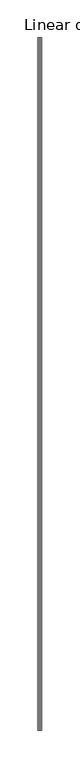
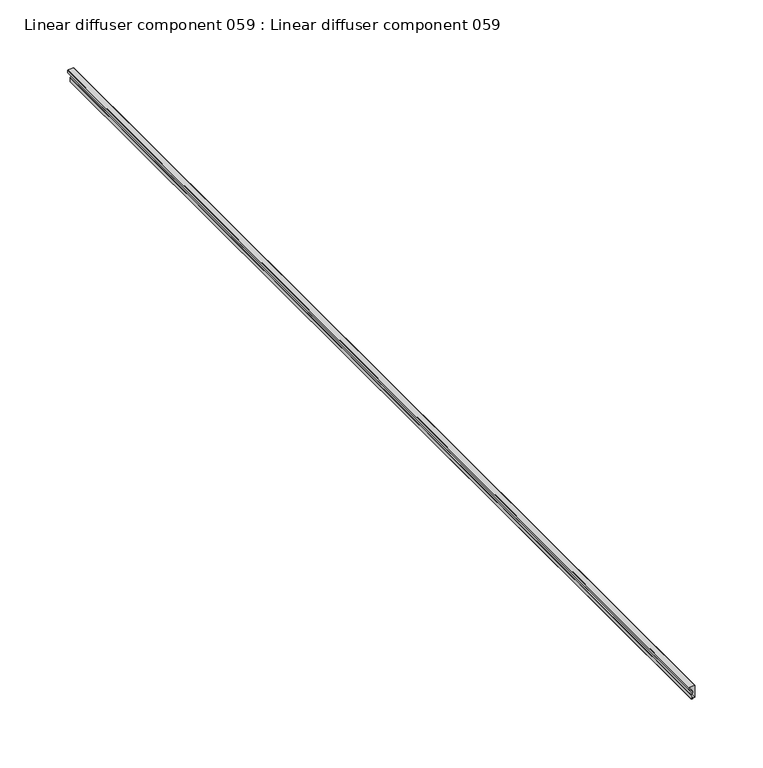
"""IFC4 building model written with IfcOpenShell, lengths in millimetres: proxy geometry, Linear diffuser component 059 : Linear diffuser component 059."""

import ifcopenshell
import ifcopenshell.guid

model = None  # the IFC model being written
_history = None  # IfcOwnerHistory: only IFC2X3 demands one
_inside = {}  # id of a spatial element -> (the spatial element, [elements in it])
_under = {}  # id of a project, library or spatial element -> (it, [spatial elements below it])
_declared = {}  # id of a project -> (the project, [libraries it declares])
_typed = {}  # id of a type object -> (the type object, [elements of that type])
_made_of = {}  # id of a material, layer set ... -> (it, [elements and type objects made of it])


def new_model(schema):
    """Start an empty IFC model of exactly this schema.

    Asked for "IFC4X3", IfcOpenShell would pick the latest addendum, in which some entities
    have other attributes; the version numbers below select the first issue.
    IFC2X3 requires an IfcOwnerHistory on every rooted entity: one is made here for all.
    """
    global model, _history
    if schema == "IFC4X3":
        model = ifcopenshell.file(schema_version=(4, 3, 0, 0))
    else:
        model = ifcopenshell.file(schema=schema)
    _inside.clear()
    _under.clear()
    _declared.clear()
    _typed.clear()
    _made_of.clear()
    _history = None
    if model.schema == "IFC2X3":
        org = make("IfcOrganization", Name="unknown")
        user = make(
            "IfcPersonAndOrganization",
            ThePerson=make("IfcPerson", FamilyName="unknown"),
            TheOrganization=org,
        )
        app = make(
            "IfcApplication",
            ApplicationDeveloper=org,
            Version="unknown",
            ApplicationFullName="unknown",
            ApplicationIdentifier="unknown",
        )
        _history = make(
            "IfcOwnerHistory",
            OwningUser=user,
            OwningApplication=app,
            ChangeAction="ADDED",
            CreationDate=0,
        )
    return model


def make(cls, **values):
    """One entity of the class cls with the attributes given. An attribute that is None is left unset."""
    return model.create_entity(
        cls, **{name: value for name, value in values.items() if value is not None}
    )


def rooted(cls, **values):
    """An entity with a GlobalId (a new one), such as an element, a storey or a relation."""
    return make(cls, GlobalId=ifcopenshell.guid.new(), OwnerHistory=_history, **values)


def si_unit(unit_type, name, prefix=None):
    """IfcSIUnit, for example si_unit("LENGTHUNIT", "METRE", prefix="MILLI")."""
    return make("IfcSIUnit", UnitType=unit_type, Prefix=prefix, Name=name)


def assignment(units):
    """IfcUnitAssignment: the units of a project."""
    return None if units is None else make("IfcUnitAssignment", Units=units)


def point(xyz):
    """IfcCartesianPoint."""
    return None if xyz is None else make("IfcCartesianPoint", Coordinates=xyz)


def direction(xyz):
    """IfcDirection."""
    return None if xyz is None else make("IfcDirection", DirectionRatios=xyz)


def frame(location, z_axis=None, x_axis=None):
    """IfcAxis2Placement3D, a coordinate frame: its origin and axes. An axis left out is left unset."""
    return make(
        "IfcAxis2Placement3D",
        Location=point(location),
        Axis=direction(z_axis),
        RefDirection=direction(x_axis),
    )


def origin():
    """The frame at (0, 0, 0) with its axes left unset."""
    return frame((0.0, 0.0, 0.0))


def place(relative_to, where):
    """IfcLocalPlacement: puts the frame where relative to a parent placement (None: the world)."""
    return make(
        "IfcLocalPlacement", PlacementRelTo=relative_to, RelativePlacement=where
    )


def context(
    kind, dimensions, precision=None, world=None, true_north=None, identifier=None
):
    """IfcGeometricRepresentationContext, for example the 3D "Model" context."""
    return make(
        "IfcGeometricRepresentationContext",
        ContextIdentifier=identifier,
        ContextType=kind,
        CoordinateSpaceDimension=dimensions,
        Precision=precision,
        WorldCoordinateSystem=world,
        TrueNorth=true_north,
    )


def project(units=None, contexts=None):
    """IfcProject with its units and contexts."""
    return rooted(
        "IfcProject",
        Name="project",
        RepresentationContexts=contexts,
        UnitsInContext=assignment(units),
    )


def spatial(cls, under=None, at=None, **own):
    """A site, building, storey or space (cls), placed at a placement, below another one or the project."""
    s = rooted(cls, ObjectPlacement=at, **own)
    if under is not None:
        _under.setdefault(under.id(), (under, []))[1].append(s)
    return s


def point_list(points):
    """IfcCartesianPointList2D or 3D."""
    cls = (
        "IfcCartesianPointList2D" if len(points[0]) == 2 else "IfcCartesianPointList3D"
    )
    return make(cls, CoordList=points)


def triangles(points, corners, closed=None, point_numbers=None):
    """IfcTriangulatedFaceSet: each triangle names its three corners, points numbered from 1."""
    return make(
        "IfcTriangulatedFaceSet",
        Coordinates=point_list(points),
        Closed=closed,
        CoordIndex=corners,
        PnIndex=point_numbers,
    )


def shape(context_of_items, identifier, shape_type, items):
    """IfcShapeRepresentation: the items that make up one representation, for example the "Body"."""
    return make(
        "IfcShapeRepresentation",
        ContextOfItems=context_of_items,
        RepresentationIdentifier=identifier,
        RepresentationType=shape_type,
        Items=items,
    )


def source(mapping_origin, context_of_items, identifier, shape_type, items):
    """IfcRepresentationMap: a shape defined once, which mapped items show again and again."""
    return make(
        "IfcRepresentationMap",
        MappingOrigin=mapping_origin,
        MappedRepresentation=shape(context_of_items, identifier, shape_type, items),
    )


def transform(
    local_origin,
    x_axis=None,
    y_axis=None,
    z_axis=None,
    scale=None,
    scale2=None,
    scale3=None,
    uniform=True,
):
    """IfcCartesianTransformationOperator3D, or its non-uniform kind. x_axis, y_axis, z_axis: its Axis1, 2, 3."""
    if uniform:
        return make(
            "IfcCartesianTransformationOperator3D",
            Axis1=direction(x_axis),
            Axis2=direction(y_axis),
            LocalOrigin=point(local_origin),
            Scale=scale,
            Axis3=direction(z_axis),
        )
    return make(
        "IfcCartesianTransformationOperator3DnonUniform",
        Axis1=direction(x_axis),
        Axis2=direction(y_axis),
        LocalOrigin=point(local_origin),
        Scale=scale,
        Axis3=direction(z_axis),
        Scale2=scale2,
        Scale3=scale3,
    )


def mapped(mapping_source, mapping_target):
    """IfcMappedItem: shows the shape of a source again, moved by a transform."""
    return make(
        "IfcMappedItem", MappingSource=mapping_source, MappingTarget=mapping_target
    )


def made_of(thing, what):
    """Note that an element or type object is made of a material, layer set ...; save() writes the relation."""
    if what is not None:
        _made_of.setdefault(what.id(), (what, []))[1].append(thing)
    return thing


def element(
    cls,
    number,
    at=None,
    inside=None,
    cuts=None,
    type_object=None,
    material=None,
    context=None,
    identifier="Body",
    shape_type=None,
    held_by="IfcProductDefinitionShape",
    body=None,
    shapes=None,
    **own,
):
    """One element of the class cls, such as IfcWall. Its Tag is "e" and its number.

    at: its placement. inside: the storey or other place that contains it. cuts: it is an
    opening in that element (IfcRelVoidsElement). A single representation is given by context,
    identifier, shape_type and body (its items); several are given by shapes. held_by: the class
    of the entity that holds the representations. save() writes the other relations.
    """
    e = rooted(cls, Tag="e%d" % number, ObjectPlacement=at, **own)
    if body is not None:
        shapes = [shape(context, identifier, shape_type, body)]
    if shapes is not None:
        e.Representation = make(held_by, Representations=shapes)
    if inside is not None:
        _inside.setdefault(inside.id(), (inside, []))[1].append(e)
    if cuts is not None:
        rooted(
            "IfcRelVoidsElement", RelatingBuildingElement=cuts, RelatedOpeningElement=e
        )
    if type_object is not None:
        _typed.setdefault(type_object.id(), (type_object, []))[1].append(e)
    return made_of(e, material)


def aggregate(whole, parts):
    """IfcRelAggregates: a whole, such as a stair, and the parts it consists of."""
    return rooted("IfcRelAggregates", RelatingObject=whole, RelatedObjects=parts)


def save(model, path):
    """Write the relations noted so far, then the file.

    IfcRelAggregates (storeys below a building ...), IfcRelContainedInSpatialStructure (elements
    in a storey), IfcRelDefinesByType, IfcRelAssociatesMaterial and IfcRelDeclares: one each for
    every whole, place, type object, material and project.
    """
    for whole, parts in _under.values():
        aggregate(whole, parts)
    for where, things in _inside.values():
        rooted(
            "IfcRelContainedInSpatialStructure",
            RelatedElements=things,
            RelatingStructure=where,
        )
    for kind, things in _typed.values():
        rooted("IfcRelDefinesByType", RelatedObjects=things, RelatingType=kind)
    for what, things in _made_of.values():
        rooted("IfcRelAssociatesMaterial", RelatedObjects=things, RelatingMaterial=what)
    for by, libraries in _declared.values():
        rooted("IfcRelDeclares", RelatingContext=by, RelatedDefinitions=libraries)
    model.write(path)


def linear_diffuser_component_059_linear_diffuser_component_059_e8aaa442(model_context):
    return source(origin(), model_context, "Body", "Tessellation", [
        triangles([(37335.4931763, -19576.8259827, 2979.0254311), (37335.4931763, -18662.4259827, 2979.0254311), (37335.7233948, -18662.4259827, 2978.7068459), (37335.7233948, -19576.8259827, 2978.7068459), (37335.3350464, -18662.4259827, 2978.7068459), (37335.3350464, -19576.8259827, 2978.7068459), (37335.3350464, -18662.4259827, 2975.3529808), (37335.3350464, -19576.8259827, 2975.3529808), (37335.7257202, -19576.8259827, 2974.9649231), (37335.7257202, -18662.4259827, 2974.9649231), (37336.7489136, -18662.4259827, 2974.9649231), (37336.7489136, -19576.8259827, 2974.9649231), (37336.7489136, -18662.4259827, 2975.7436546), (37336.7489136, -19576.8259827, 2975.7436546), (37338.344165, -18662.4259827, 2975.7436546), (37338.344165, -19576.8259827, 2975.7436546), (37338.344165, -18662.4259827, 2985.7625198), (37338.344165, -19576.8259827, 2985.7625198), (37338.460437, -19576.8259827, 2985.7625198), (37338.460437, -18662.4259827, 2985.7625198), (37338.460437, -18662.4259827, 2986.5383446), (37338.460437, -19576.8259827, 2986.5383446), (37333.7863037, -18662.4259827, 2986.5383446), (37333.7863037, -19576.8259827, 2986.5383446), (37333.7863037, -18662.4259827, 2986.1502869), (37333.7863037, -19576.8259827, 2986.1502869), (37333.3979553, -18662.4259827, 2986.1502869), (37333.3979553, -19576.8259827, 2986.1502869), (37333.3979553, -18662.4259827, 2984.1759888), (37333.3979553, -19576.8259827, 2984.1759888), (37333.8072327, -19576.8259827, 2983.8579849), (37333.8072327, -18662.4259827, 2983.8579849), (37335.8233887, -18662.4259827, 2983.0257683), (37335.8233887, -19576.8259827, 2983.0257683), (37336.5931091, -18662.4259827, 2981.1636726), (37336.5931091, -19576.8259827, 2981.1636726), (37336.3024292, -18662.4259827, 2979.9620018), (37336.3024292, -19576.8259827, 2979.9620018)], [[4, 1, 2], [2, 3, 4], [6, 4, 5], [3, 5, 4], [8, 6, 5], [5, 7, 8], [12, 9, 11], [10, 11, 9], [14, 12, 11], [11, 13, 14], [16, 14, 13], [13, 15, 16], [18, 16, 17], [15, 17, 16], [22, 19, 20], [20, 21, 22], [24, 22, 21], [21, 23, 24], [26, 24, 25], [23, 25, 24], [28, 26, 27], [25, 27, 26], [30, 28, 27], [27, 29, 30], [34, 31, 32], [32, 33, 34], [36, 34, 33], [33, 35, 36], [38, 36, 37], [35, 37, 36], [1, 38, 2], [37, 2, 38]], closed=False),
    ])


if __name__ == "__main__":
    model = new_model("IFC4")
    model_context = context("Model", 3, world=origin())
    ifc_project = project(units=[si_unit("LENGTHUNIT", "METRE", prefix="MILLI")], contexts=[model_context])
    site = spatial("IfcSite", under=ifc_project)
    building = spatial("IfcBuilding", under=site)
    placement = place(None, origin())
    linear_diffuser_component_059_linear_diffuser_component_059_shape = linear_diffuser_component_059_linear_diffuser_component_059_e8aaa442(model_context)
    element("IfcBuildingElementProxy", 1, Name="Linear diffuser component 059 : Linear diffuser component 059", ObjectType="Linear diffuser component 059 : Linear diffuser component 059", at=placement, inside=building, context=model_context, shape_type="MappedRepresentation", body=[
        mapped(linear_diffuser_component_059_linear_diffuser_component_059_shape, transform((0.0, 0.0, 0.0), x_axis=(1.0, 0.0, 0.0), y_axis=(0.0, 1.0, 0.0), z_axis=(0.0, 0.0, 1.0))),
    ])
    save(model, "model.ifc")
